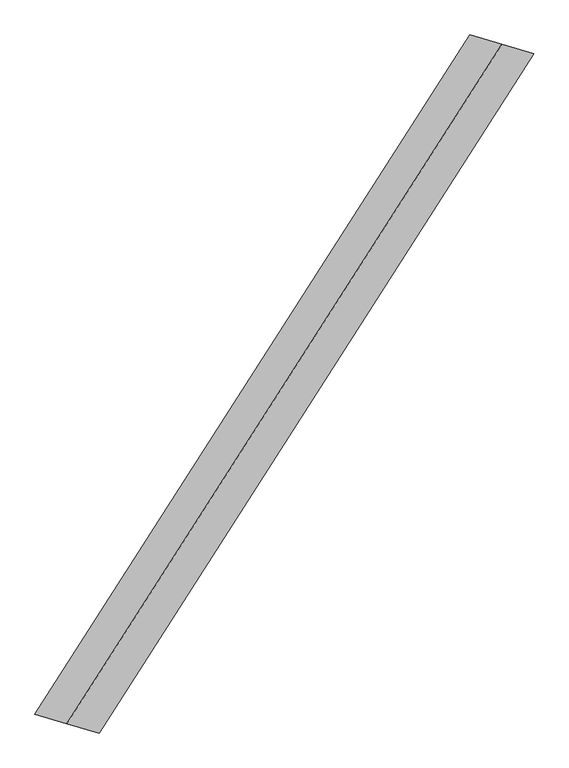
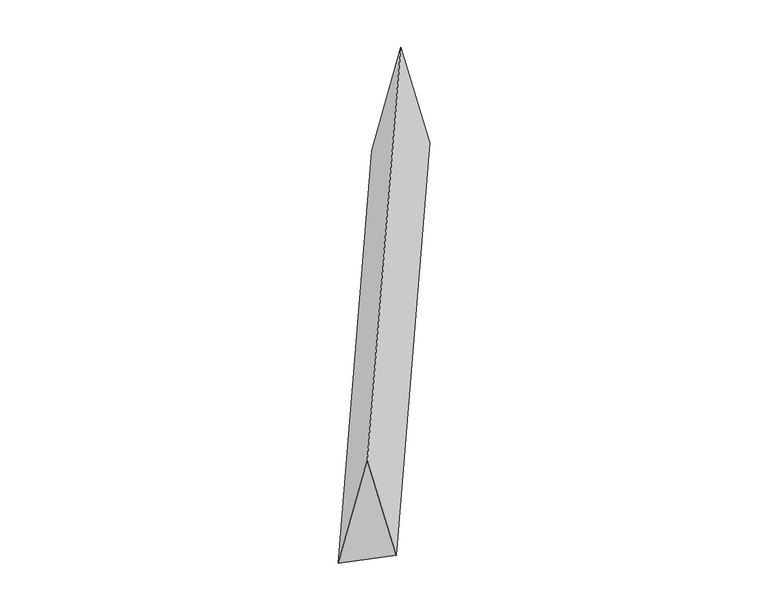
"""IFC4 building model written with IfcOpenShell, lengths in millimetres: proxy geometry."""

import ifcopenshell
import ifcopenshell.guid

model = None  # the IFC model being written
_history = None  # IfcOwnerHistory: only IFC2X3 demands one
_inside = {}  # id of a spatial element -> (the spatial element, [elements in it])
_under = {}  # id of a project, library or spatial element -> (it, [spatial elements below it])
_declared = {}  # id of a project -> (the project, [libraries it declares])
_typed = {}  # id of a type object -> (the type object, [elements of that type])
_made_of = {}  # id of a material, layer set ... -> (it, [elements and type objects made of it])


def new_model(schema):
    """Start an empty IFC model of exactly this schema.

    Asked for "IFC4X3", IfcOpenShell would pick the latest addendum, in which some entities
    have other attributes; the version numbers below select the first issue.
    IFC2X3 requires an IfcOwnerHistory on every rooted entity: one is made here for all.
    """
    global model, _history
    if schema == "IFC4X3":
        model = ifcopenshell.file(schema_version=(4, 3, 0, 0))
    else:
        model = ifcopenshell.file(schema=schema)
    _inside.clear()
    _under.clear()
    _declared.clear()
    _typed.clear()
    _made_of.clear()
    _history = None
    if model.schema == "IFC2X3":
        org = make("IfcOrganization", Name="unknown")
        user = make(
            "IfcPersonAndOrganization",
            ThePerson=make("IfcPerson", FamilyName="unknown"),
            TheOrganization=org,
        )
        app = make(
            "IfcApplication",
            ApplicationDeveloper=org,
            Version="unknown",
            ApplicationFullName="unknown",
            ApplicationIdentifier="unknown",
        )
        _history = make(
            "IfcOwnerHistory",
            OwningUser=user,
            OwningApplication=app,
            ChangeAction="ADDED",
            CreationDate=0,
        )
    return model


def make(cls, **values):
    """One entity of the class cls with the attributes given. An attribute that is None is left unset."""
    return model.create_entity(
        cls, **{name: value for name, value in values.items() if value is not None}
    )


def rooted(cls, **values):
    """An entity with a GlobalId (a new one), such as an element, a storey or a relation."""
    return make(cls, GlobalId=ifcopenshell.guid.new(), OwnerHistory=_history, **values)


def si_unit(unit_type, name, prefix=None):
    """IfcSIUnit, for example si_unit("LENGTHUNIT", "METRE", prefix="MILLI")."""
    return make("IfcSIUnit", UnitType=unit_type, Prefix=prefix, Name=name)


def assignment(units):
    """IfcUnitAssignment: the units of a project."""
    return None if units is None else make("IfcUnitAssignment", Units=units)


def point(xyz):
    """IfcCartesianPoint."""
    return None if xyz is None else make("IfcCartesianPoint", Coordinates=xyz)


def direction(xyz):
    """IfcDirection."""
    return None if xyz is None else make("IfcDirection", DirectionRatios=xyz)


def frame(location, z_axis=None, x_axis=None):
    """IfcAxis2Placement3D, a coordinate frame: its origin and axes. An axis left out is left unset."""
    return make(
        "IfcAxis2Placement3D",
        Location=point(location),
        Axis=direction(z_axis),
        RefDirection=direction(x_axis),
    )


def origin():
    """The frame at (0, 0, 0) with its axes left unset."""
    return frame((0.0, 0.0, 0.0))


def place(relative_to, where):
    """IfcLocalPlacement: puts the frame where relative to a parent placement (None: the world)."""
    return make(
        "IfcLocalPlacement", PlacementRelTo=relative_to, RelativePlacement=where
    )


def context(
    kind, dimensions, precision=None, world=None, true_north=None, identifier=None
):
    """IfcGeometricRepresentationContext, for example the 3D "Model" context."""
    return make(
        "IfcGeometricRepresentationContext",
        ContextIdentifier=identifier,
        ContextType=kind,
        CoordinateSpaceDimension=dimensions,
        Precision=precision,
        WorldCoordinateSystem=world,
        TrueNorth=true_north,
    )


def project(units=None, contexts=None):
    """IfcProject with its units and contexts."""
    return rooted(
        "IfcProject",
        Name="project",
        RepresentationContexts=contexts,
        UnitsInContext=assignment(units),
    )


def spatial(cls, under=None, at=None, **own):
    """A site, building, storey or space (cls), placed at a placement, below another one or the project."""
    s = rooted(cls, ObjectPlacement=at, **own)
    if under is not None:
        _under.setdefault(under.id(), (under, []))[1].append(s)
    return s


def faces_of(points, faces, orient=None, outer=None):
    """IfcFace entities. A face is a list of loops; a loop is a list of indices into points, from 0.

    orient and outer hold one flag for each loop. By default every Orientation is true, the
    first loop of a face is its IfcFaceOuterBound and the others are IfcFaceBound.
    """
    made = []
    for i, loops in enumerate(faces):
        bounds = []
        for j, loop in enumerate(loops):
            is_outer = j == 0 if outer is None else outer[i][j]
            bounds.append(
                make(
                    "IfcFaceOuterBound" if is_outer else "IfcFaceBound",
                    Bound=make("IfcPolyLoop", Polygon=[points[k] for k in loop]),
                    Orientation=True if orient is None else orient[i][j],
                )
            )
        made.append(make("IfcFace", Bounds=bounds))
    return made


def faceted_brep(points, faces, orient=None, outer=None, voids=None):
    """IfcFacetedBrep: a solid bounded by flat faces; with voids (closed shells), ...WithVoids."""
    shared = [point(p) for p in points]
    hull = make("IfcClosedShell", CfsFaces=faces_of(shared, faces, orient, outer))
    if voids is None:
        return make("IfcFacetedBrep", Outer=hull)
    return make(
        "IfcFacetedBrepWithVoids",
        Outer=hull,
        Voids=[
            make(cls, CfsFaces=faces_of(shared, fs, o, b)) for cls, fs, o, b in voids
        ],
    )


def shape(context_of_items, identifier, shape_type, items):
    """IfcShapeRepresentation: the items that make up one representation, for example the "Body"."""
    return make(
        "IfcShapeRepresentation",
        ContextOfItems=context_of_items,
        RepresentationIdentifier=identifier,
        RepresentationType=shape_type,
        Items=items,
    )


def source(mapping_origin, context_of_items, identifier, shape_type, items):
    """IfcRepresentationMap: a shape defined once, which mapped items show again and again."""
    return make(
        "IfcRepresentationMap",
        MappingOrigin=mapping_origin,
        MappedRepresentation=shape(context_of_items, identifier, shape_type, items),
    )


def transform(
    local_origin,
    x_axis=None,
    y_axis=None,
    z_axis=None,
    scale=None,
    scale2=None,
    scale3=None,
    uniform=True,
):
    """IfcCartesianTransformationOperator3D, or its non-uniform kind. x_axis, y_axis, z_axis: its Axis1, 2, 3."""
    if uniform:
        return make(
            "IfcCartesianTransformationOperator3D",
            Axis1=direction(x_axis),
            Axis2=direction(y_axis),
            LocalOrigin=point(local_origin),
            Scale=scale,
            Axis3=direction(z_axis),
        )
    return make(
        "IfcCartesianTransformationOperator3DnonUniform",
        Axis1=direction(x_axis),
        Axis2=direction(y_axis),
        LocalOrigin=point(local_origin),
        Scale=scale,
        Axis3=direction(z_axis),
        Scale2=scale2,
        Scale3=scale3,
    )


def mapped(mapping_source, mapping_target):
    """IfcMappedItem: shows the shape of a source again, moved by a transform."""
    return make(
        "IfcMappedItem", MappingSource=mapping_source, MappingTarget=mapping_target
    )


def made_of(thing, what):
    """Note that an element or type object is made of a material, layer set ...; save() writes the relation."""
    if what is not None:
        _made_of.setdefault(what.id(), (what, []))[1].append(thing)
    return thing


def element(
    cls,
    number,
    at=None,
    inside=None,
    cuts=None,
    type_object=None,
    material=None,
    context=None,
    identifier="Body",
    shape_type=None,
    held_by="IfcProductDefinitionShape",
    body=None,
    shapes=None,
    **own,
):
    """One element of the class cls, such as IfcWall. Its Tag is "e" and its number.

    at: its placement. inside: the storey or other place that contains it. cuts: it is an
    opening in that element (IfcRelVoidsElement). A single representation is given by context,
    identifier, shape_type and body (its items); several are given by shapes. held_by: the class
    of the entity that holds the representations. save() writes the other relations.
    """
    e = rooted(cls, Tag="e%d" % number, ObjectPlacement=at, **own)
    if body is not None:
        shapes = [shape(context, identifier, shape_type, body)]
    if shapes is not None:
        e.Representation = make(held_by, Representations=shapes)
    if inside is not None:
        _inside.setdefault(inside.id(), (inside, []))[1].append(e)
    if cuts is not None:
        rooted(
            "IfcRelVoidsElement", RelatingBuildingElement=cuts, RelatedOpeningElement=e
        )
    if type_object is not None:
        _typed.setdefault(type_object.id(), (type_object, []))[1].append(e)
    return made_of(e, material)


def aggregate(whole, parts):
    """IfcRelAggregates: a whole, such as a stair, and the parts it consists of."""
    return rooted("IfcRelAggregates", RelatingObject=whole, RelatedObjects=parts)


def save(model, path):
    """Write the relations noted so far, then the file.

    IfcRelAggregates (storeys below a building ...), IfcRelContainedInSpatialStructure (elements
    in a storey), IfcRelDefinesByType, IfcRelAssociatesMaterial and IfcRelDeclares: one each for
    every whole, place, type object, material and project.
    """
    for whole, parts in _under.values():
        aggregate(whole, parts)
    for where, things in _inside.values():
        rooted(
            "IfcRelContainedInSpatialStructure",
            RelatedElements=things,
            RelatingStructure=where,
        )
    for kind, things in _typed.values():
        rooted("IfcRelDefinesByType", RelatedObjects=things, RelatingType=kind)
    for what, things in _made_of.values():
        rooted("IfcRelAssociatesMaterial", RelatedObjects=things, RelatingMaterial=what)
    for by, libraries in _declared.values():
        rooted("IfcRelDeclares", RelatingContext=by, RelatedDefinitions=libraries)
    model.write(path)


def generic_models_82b2b117(model_context):
    return source(origin(), model_context, "Body", "Brep", [
        faceted_brep([(-1123.7955735, -1753.5425541, 700.0), (-958.1385136, -1802.4552236, 0.0), (1289.4526334, 1704.6298846, 0.0), (1123.7955735, 1753.5425541, 700.0), (-1289.4526334, -1704.6298846, 0.0), (958.1385136, 1802.4552236, 0.0)], [[[0, 1, 2, 3]], [[1, 4, 5, 2]], [[4, 0, 3, 5]], [[3, 2, 5]], [[0, 4, 1]]]),
    ])


if __name__ == "__main__":
    model = new_model("IFC4")
    model_context = context("Model", 3, world=origin())
    ifc_project = project(units=[si_unit("LENGTHUNIT", "METRE", prefix="MILLI")], contexts=[model_context])
    site = spatial("IfcSite", under=ifc_project)
    building = spatial("IfcBuilding", under=site)
    placement = place(None, origin())
    generic_models_shape = generic_models_82b2b117(model_context)
    element("IfcBuildingElementProxy", 1, Name="Generic Models", at=placement, inside=building, context=model_context, shape_type="MappedRepresentation", body=[
        mapped(generic_models_shape, transform((0.0, 0.0, 0.0), x_axis=(1.0, 0.0, 0.0), y_axis=(0.0, 1.0, 0.0), z_axis=(0.0, 0.0, 1.0))),
    ])
    save(model, "model.ifc")
